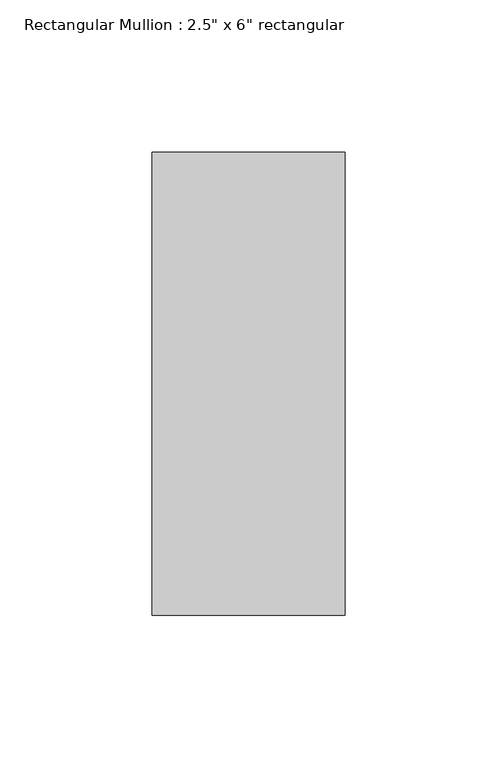
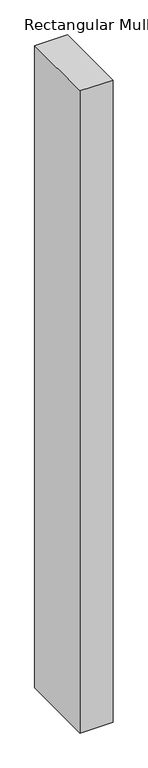
"""IFC4 building model written with IfcOpenShell, lengths in millimetres: member geometry."""

from ifc_helpers import new_model, si_unit, frame, origin, place, context, project, spatial, polyline, outline, extrude, source, transform, mapped, element, save


def member_8606e764(model_context):
    return source(origin(), model_context, "Body", "SweptSolid", [
        extrude(outline(polyline([(0.0, 60.325), (0.0, -92.075), (-63.5, -92.075), (-63.5, 60.325), (0.0, 60.325)])), frame((0.0, 0.0, -1314.4499997), z_axis=(0.0, 0.0, 1.0), x_axis=(1.0, 0.0, 0.0)), (0.0, 0.0, 1.0), 1314.4499997),
    ])


if __name__ == "__main__":
    model = new_model("IFC4")
    model_context = context("Model", 3, world=origin())
    ifc_project = project(units=[si_unit("LENGTHUNIT", "METRE", prefix="MILLI")], contexts=[model_context])
    site = spatial("IfcSite", under=ifc_project)
    building = spatial("IfcBuilding", under=site)
    placement = place(None, origin())
    member_shape = member_8606e764(model_context)
    element("IfcMember", 1, ObjectType="Rectangular Mullion : 2.5\" x 6\" rectangular", at=placement, inside=building, context=model_context, shape_type="MappedRepresentation", body=[
        mapped(member_shape, transform((0.0, 0.0, 0.0), x_axis=(1.0, 0.0, 0.0), y_axis=(0.0, 1.0, 0.0), z_axis=(0.0, 0.0, 1.0))),
    ])
    save(model, "model.ifc")
